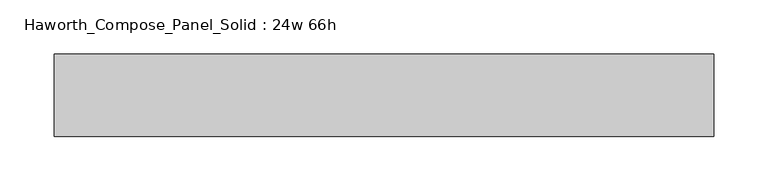
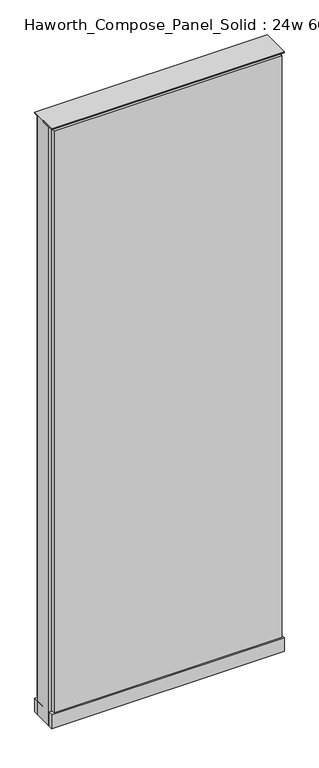
"""IFC4 building model written with IfcOpenShell, lengths in millimetres: furniture geometry, Haworth_Compose_Panel_Solid : 24w 66h."""

from ifc_helpers import new_model, si_unit, point, frame, frame_2d, origin, origin_with_axes, place, context, project, spatial, polyline, circle_curve, trimmed, segment, composite_curve, outline, extrude, source, transform, mapped, element, save


def haworth_compose_panel_solid_24w_66h_9d314168(model_context):
    return source(origin(), model_context, "Body", "SweptSolid", [
        extrude(outline(composite_curve([segment(trimmed(circle_curve(frame_2d((-226.1597098, 0.0)), 12.7), [point((-238.8597098, 0.0))], [point((-213.4597098, 0.0))], False, "CARTESIAN"), True, "CONTINUOUS"), segment(trimmed(circle_curve(frame_2d((-226.1597098, 0.0)), 12.7), [point((-213.4597098, 0.0))], [point((-238.8597098, 0.0))], False, "CARTESIAN"), True, "CONTINUOUS")], self_intersect=False)), origin_with_axes(), (0.0, 0.0, 1.0), 12.7),
        extrude(outline(composite_curve([segment(trimmed(circle_curve(frame_2d((231.0402902, 0.0)), 12.7), [point((218.3402902, 0.0))], [point((243.7402902, 0.0))], False, "CARTESIAN"), True, "CONTINUOUS"), segment(trimmed(circle_curve(frame_2d((231.0402902, 0.0)), 12.7), [point((243.7402902, 0.0))], [point((218.3402902, 0.0))], False, "CARTESIAN"), True, "CONTINUOUS")], self_intersect=False)), origin_with_axes(), (0.0, 0.0, 1.0), 12.7),
        extrude(outline(polyline([(300.8902902, 38.1), (300.8902902, 25.4), (-296.0097098, 25.4), (-296.0097098, 38.1), (300.8902902, 38.1)])), frame((0.0, 0.0, 53.975), z_axis=(0.0, 0.0, 1.0), x_axis=(1.0, 0.0, 0.0)), (0.0, 0.0, 1.0), 1609.725),
        extrude(outline(polyline([(300.8902902, -38.1), (-296.0097098, -38.1), (-296.0097098, -25.4), (300.8902902, -25.4), (300.8902902, -38.1)])), frame((0.0, 0.0, 53.975), z_axis=(0.0, 0.0, 1.0), x_axis=(1.0, 0.0, 0.0)), (0.0, 0.0, 1.0), 1609.725),
        extrude(outline(polyline([(307.2402902, 25.4), (307.2402902, -25.4), (-302.3597098, -25.4), (-302.3597098, 25.4), (307.2402902, 25.4)])), frame((0.0, 0.0, 12.7), z_axis=(0.0, 0.0, 1.0), x_axis=(1.0, 0.0, 0.0)), (0.0, 0.0, 1.0), 1657.35),
        extrude(outline(polyline([(-302.3597098, -38.1), (-302.3597098, 38.1), (307.2402902, 38.1), (307.2402902, -38.1), (-302.3597098, -38.1)])), frame((0.0, 0.0, 12.7), z_axis=(0.0, 0.0, 1.0), x_axis=(1.0, 0.0, 0.0)), (0.0, 0.0, 1.0), 38.1),
        extrude(outline(polyline([(-302.3597098, -38.1), (-302.3597098, 38.1), (307.2402902, 38.1), (307.2402902, -38.1), (-302.3597098, -38.1)])), frame((0.0, 0.0, 1670.05), z_axis=(0.0, 0.0, 1.0), x_axis=(1.0, 0.0, 0.0)), (0.0, 0.0, 1.0), 3.175),
    ])


if __name__ == "__main__":
    model = new_model("IFC4")
    model_context = context("Model", 3, world=origin())
    ifc_project = project(units=[si_unit("LENGTHUNIT", "METRE", prefix="MILLI")], contexts=[model_context])
    site = spatial("IfcSite", under=ifc_project)
    building = spatial("IfcBuilding", under=site)
    placement = place(None, origin())
    haworth_compose_panel_solid_24w_66h_shape = haworth_compose_panel_solid_24w_66h_9d314168(model_context)
    element("IfcFurniture", 1, ObjectType="Haworth_Compose_Panel_Solid : 24w 66h", at=placement, inside=building, context=model_context, shape_type="MappedRepresentation", body=[
        mapped(haworth_compose_panel_solid_24w_66h_shape, transform((0.0, 0.0, 0.0), x_axis=(1.0, 0.0, 0.0), y_axis=(0.0, 1.0, 0.0), z_axis=(0.0, 0.0, 1.0))),
    ])
    save(model, "model.ifc")
